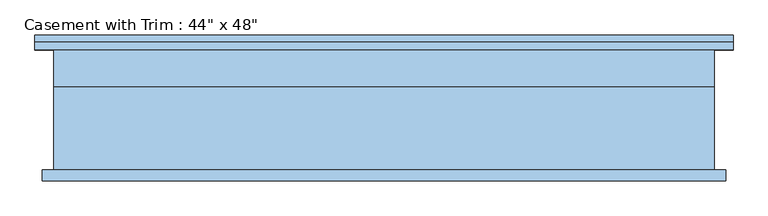
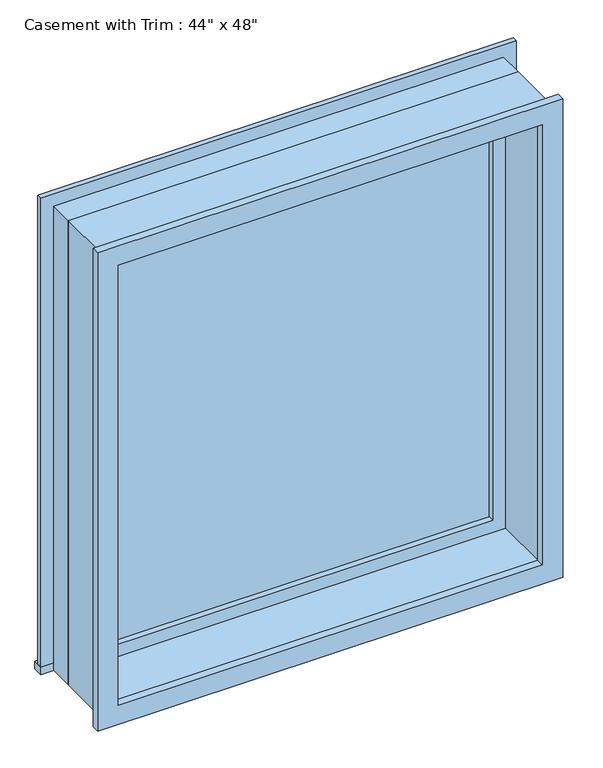
"""IFC4 building model written with IfcOpenShell, lengths in millimetres: window geometry."""

from ifc_helpers import new_model, si_unit, frame, origin, place, context, project, spatial, polyline, outline, extrude, source, transform, mapped, element, save


def window_c3ec8636(model_context):
    return source(origin(), model_context, "Body", "SweptSolid", [
        extrude(outline(polyline([(-590.55, 127.0), (590.55, 127.0), (590.55, 101.6), (-590.55, 101.6), (-590.55, 127.0)])), frame((0.0, 0.0, 914.4), z_axis=(0.0, 0.0, 1.0), x_axis=(1.0, 0.0, 0.0)), (0.0, 0.0, 1.0), 19.05),
        extrude(outline(polyline([(2114.55, -539.75), (2114.55, 539.75), (933.45, 539.75), (933.45, 590.55), (2165.35, 590.55), (2165.35, -590.55), (933.45, -590.55), (933.45, -539.75), (2114.55, -539.75)])), frame((0.0, 101.6, 0.0), z_axis=(0.0, 1.0, 0.0), x_axis=(0.0, 0.0, 1.0)), (0.0, 0.0, 1.0), 12.7),
        extrude(outline(polyline([(2152.65, 577.85), (2152.65, -577.85), (895.35, -577.85), (895.35, 577.85), (2152.65, 577.85)]), holes=[polyline([(2101.85, 527.05), (946.15, 527.05), (946.15, -527.05), (2101.85, -527.05), (2101.85, 527.05)])]), frame((0.0, -120.65, 0.0), z_axis=(0.0, 1.0, 0.0), x_axis=(0.0, 0.0, 1.0)), (0.0, 0.0, 1.0), 19.05),
        extrude(outline(polyline([(495.3, 53.975), (-495.3, 53.975), (-495.3, 66.675), (495.3, 66.675), (495.3, 53.975)])), frame((0.0, 0.0, 977.9), z_axis=(0.0, 0.0, 1.0), x_axis=(1.0, 0.0, 0.0)), (0.0, 0.0, 1.0), 1092.2),
        extrude(outline(polyline([(2114.55, -539.75), (933.45, -539.75), (933.45, 539.75), (2114.55, 539.75), (2114.55, -539.75)]), holes=[polyline([(2070.1, -495.3), (2070.1, 495.3), (977.9, 495.3), (977.9, -495.3), (2070.1, -495.3)])]), frame((0.0, 38.1, 0.0), z_axis=(0.0, 1.0, 0.0), x_axis=(0.0, 0.0, 1.0)), (0.0, 0.0, 1.0), 44.45),
        extrude(outline(polyline([(2133.6, -558.8), (914.4, -558.8), (914.4, 558.8), (2133.6, 558.8), (2133.6, -558.8)]), holes=[polyline([(2101.85, -527.05), (2101.85, 527.05), (946.15, 527.05), (946.15, -527.05), (2101.85, -527.05)])]), frame((0.0, -101.6, 0.0), z_axis=(0.0, 1.0, 0.0), x_axis=(0.0, 0.0, 1.0)), (0.0, 0.0, 1.0), 139.7),
        extrude(outline(polyline([(2133.6, 558.8), (2133.6, -558.8), (914.4, -558.8), (914.4, 558.8), (2133.6, 558.8)]), holes=[polyline([(2114.55, 539.75), (933.45, 539.75), (933.45, -539.75), (2114.55, -539.75), (2114.55, 539.75)])]), frame((0.0, 38.1, 0.0), z_axis=(0.0, 1.0, 0.0), x_axis=(0.0, 0.0, 1.0)), (0.0, 0.0, 1.0), 63.5),
    ])


if __name__ == "__main__":
    model = new_model("IFC4")
    model_context = context("Model", 3, world=origin())
    ifc_project = project(units=[si_unit("LENGTHUNIT", "METRE", prefix="MILLI")], contexts=[model_context])
    site = spatial("IfcSite", under=ifc_project)
    building = spatial("IfcBuilding", under=site)
    placement = place(None, origin())
    window_shape = window_c3ec8636(model_context)
    element("IfcWindow", 1, ObjectType="Casement with Trim : 44\" x 48\"", at=placement, inside=building, context=model_context, shape_type="MappedRepresentation", body=[
        mapped(window_shape, transform((0.0, 0.0, 0.0), x_axis=(1.0, 0.0, 0.0), y_axis=(0.0, 1.0, 0.0), z_axis=(0.0, 0.0, 1.0))),
    ])
    save(model, "model.ifc")
